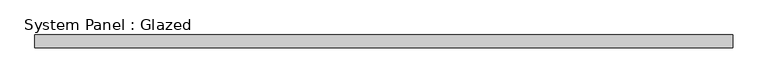
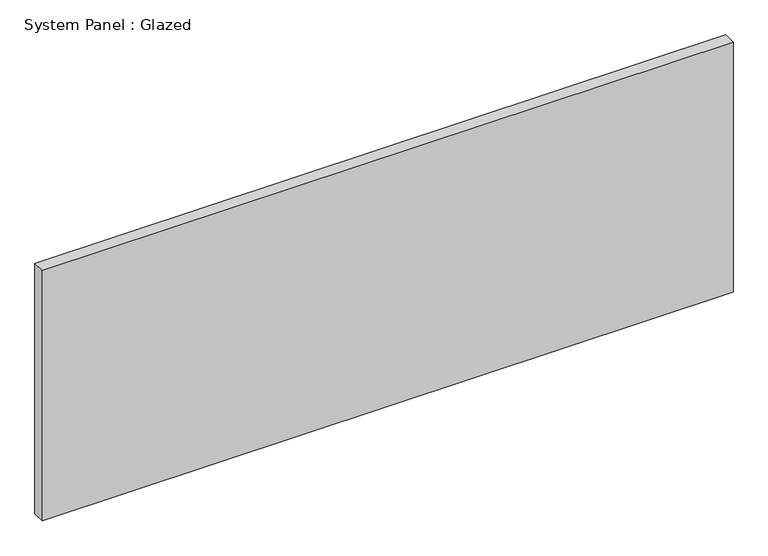
"""IFC4 building model written with IfcOpenShell, lengths in millimetres: plate geometry, System Panel : Glazed."""

import ifcopenshell
import ifcopenshell.guid

model = None  # the IFC model being written
_history = None  # IfcOwnerHistory: only IFC2X3 demands one
_inside = {}  # id of a spatial element -> (the spatial element, [elements in it])
_under = {}  # id of a project, library or spatial element -> (it, [spatial elements below it])
_declared = {}  # id of a project -> (the project, [libraries it declares])
_typed = {}  # id of a type object -> (the type object, [elements of that type])
_made_of = {}  # id of a material, layer set ... -> (it, [elements and type objects made of it])


def new_model(schema):
    """Start an empty IFC model of exactly this schema.

    Asked for "IFC4X3", IfcOpenShell would pick the latest addendum, in which some entities
    have other attributes; the version numbers below select the first issue.
    IFC2X3 requires an IfcOwnerHistory on every rooted entity: one is made here for all.
    """
    global model, _history
    if schema == "IFC4X3":
        model = ifcopenshell.file(schema_version=(4, 3, 0, 0))
    else:
        model = ifcopenshell.file(schema=schema)
    _inside.clear()
    _under.clear()
    _declared.clear()
    _typed.clear()
    _made_of.clear()
    _history = None
    if model.schema == "IFC2X3":
        org = make("IfcOrganization", Name="unknown")
        user = make(
            "IfcPersonAndOrganization",
            ThePerson=make("IfcPerson", FamilyName="unknown"),
            TheOrganization=org,
        )
        app = make(
            "IfcApplication",
            ApplicationDeveloper=org,
            Version="unknown",
            ApplicationFullName="unknown",
            ApplicationIdentifier="unknown",
        )
        _history = make(
            "IfcOwnerHistory",
            OwningUser=user,
            OwningApplication=app,
            ChangeAction="ADDED",
            CreationDate=0,
        )
    return model


def make(cls, **values):
    """One entity of the class cls with the attributes given. An attribute that is None is left unset."""
    return model.create_entity(
        cls, **{name: value for name, value in values.items() if value is not None}
    )


def rooted(cls, **values):
    """An entity with a GlobalId (a new one), such as an element, a storey or a relation."""
    return make(cls, GlobalId=ifcopenshell.guid.new(), OwnerHistory=_history, **values)


def si_unit(unit_type, name, prefix=None):
    """IfcSIUnit, for example si_unit("LENGTHUNIT", "METRE", prefix="MILLI")."""
    return make("IfcSIUnit", UnitType=unit_type, Prefix=prefix, Name=name)


def assignment(units):
    """IfcUnitAssignment: the units of a project."""
    return None if units is None else make("IfcUnitAssignment", Units=units)


def point(xyz):
    """IfcCartesianPoint."""
    return None if xyz is None else make("IfcCartesianPoint", Coordinates=xyz)


def direction(xyz):
    """IfcDirection."""
    return None if xyz is None else make("IfcDirection", DirectionRatios=xyz)


def frame(location, z_axis=None, x_axis=None):
    """IfcAxis2Placement3D, a coordinate frame: its origin and axes. An axis left out is left unset."""
    return make(
        "IfcAxis2Placement3D",
        Location=point(location),
        Axis=direction(z_axis),
        RefDirection=direction(x_axis),
    )


def origin():
    """The frame at (0, 0, 0) with its axes left unset."""
    return frame((0.0, 0.0, 0.0))


def origin_with_axes():
    """The frame at (0, 0, 0) with the z axis (0, 0, 1) and the x axis (1, 0, 0) written out."""
    return frame((0.0, 0.0, 0.0), z_axis=(0.0, 0.0, 1.0), x_axis=(1.0, 0.0, 0.0))


def place(relative_to, where):
    """IfcLocalPlacement: puts the frame where relative to a parent placement (None: the world)."""
    return make(
        "IfcLocalPlacement", PlacementRelTo=relative_to, RelativePlacement=where
    )


def context(
    kind, dimensions, precision=None, world=None, true_north=None, identifier=None
):
    """IfcGeometricRepresentationContext, for example the 3D "Model" context."""
    return make(
        "IfcGeometricRepresentationContext",
        ContextIdentifier=identifier,
        ContextType=kind,
        CoordinateSpaceDimension=dimensions,
        Precision=precision,
        WorldCoordinateSystem=world,
        TrueNorth=true_north,
    )


def project(units=None, contexts=None):
    """IfcProject with its units and contexts."""
    return rooted(
        "IfcProject",
        Name="project",
        RepresentationContexts=contexts,
        UnitsInContext=assignment(units),
    )


def spatial(cls, under=None, at=None, **own):
    """A site, building, storey or space (cls), placed at a placement, below another one or the project."""
    s = rooted(cls, ObjectPlacement=at, **own)
    if under is not None:
        _under.setdefault(under.id(), (under, []))[1].append(s)
    return s


def polyline(points):
    """IfcPolyline through the points."""
    return make("IfcPolyline", Points=[point(p) for p in points])


def outline(outer, holes=None, kind="AREA"):
    """IfcArbitraryClosedProfileDef: a profile drawn as a closed curve; with holes, ...WithVoids."""
    if holes is None:
        return make("IfcArbitraryClosedProfileDef", ProfileType=kind, OuterCurve=outer)
    return make(
        "IfcArbitraryProfileDefWithVoids",
        ProfileType=kind,
        OuterCurve=outer,
        InnerCurves=holes,
    )


def extrude(swept, where, along, depth):
    """IfcExtrudedAreaSolid: the profile swept, set in the frame where, extruded along a direction by depth."""
    return make(
        "IfcExtrudedAreaSolid",
        SweptArea=swept,
        Position=where,
        ExtrudedDirection=direction(along),
        Depth=depth,
    )


def shape(context_of_items, identifier, shape_type, items):
    """IfcShapeRepresentation: the items that make up one representation, for example the "Body"."""
    return make(
        "IfcShapeRepresentation",
        ContextOfItems=context_of_items,
        RepresentationIdentifier=identifier,
        RepresentationType=shape_type,
        Items=items,
    )


def source(mapping_origin, context_of_items, identifier, shape_type, items):
    """IfcRepresentationMap: a shape defined once, which mapped items show again and again."""
    return make(
        "IfcRepresentationMap",
        MappingOrigin=mapping_origin,
        MappedRepresentation=shape(context_of_items, identifier, shape_type, items),
    )


def transform(
    local_origin,
    x_axis=None,
    y_axis=None,
    z_axis=None,
    scale=None,
    scale2=None,
    scale3=None,
    uniform=True,
):
    """IfcCartesianTransformationOperator3D, or its non-uniform kind. x_axis, y_axis, z_axis: its Axis1, 2, 3."""
    if uniform:
        return make(
            "IfcCartesianTransformationOperator3D",
            Axis1=direction(x_axis),
            Axis2=direction(y_axis),
            LocalOrigin=point(local_origin),
            Scale=scale,
            Axis3=direction(z_axis),
        )
    return make(
        "IfcCartesianTransformationOperator3DnonUniform",
        Axis1=direction(x_axis),
        Axis2=direction(y_axis),
        LocalOrigin=point(local_origin),
        Scale=scale,
        Axis3=direction(z_axis),
        Scale2=scale2,
        Scale3=scale3,
    )


def mapped(mapping_source, mapping_target):
    """IfcMappedItem: shows the shape of a source again, moved by a transform."""
    return make(
        "IfcMappedItem", MappingSource=mapping_source, MappingTarget=mapping_target
    )


def made_of(thing, what):
    """Note that an element or type object is made of a material, layer set ...; save() writes the relation."""
    if what is not None:
        _made_of.setdefault(what.id(), (what, []))[1].append(thing)
    return thing


def element(
    cls,
    number,
    at=None,
    inside=None,
    cuts=None,
    type_object=None,
    material=None,
    context=None,
    identifier="Body",
    shape_type=None,
    held_by="IfcProductDefinitionShape",
    body=None,
    shapes=None,
    **own,
):
    """One element of the class cls, such as IfcWall. Its Tag is "e" and its number.

    at: its placement. inside: the storey or other place that contains it. cuts: it is an
    opening in that element (IfcRelVoidsElement). A single representation is given by context,
    identifier, shape_type and body (its items); several are given by shapes. held_by: the class
    of the entity that holds the representations. save() writes the other relations.
    """
    e = rooted(cls, Tag="e%d" % number, ObjectPlacement=at, **own)
    if body is not None:
        shapes = [shape(context, identifier, shape_type, body)]
    if shapes is not None:
        e.Representation = make(held_by, Representations=shapes)
    if inside is not None:
        _inside.setdefault(inside.id(), (inside, []))[1].append(e)
    if cuts is not None:
        rooted(
            "IfcRelVoidsElement", RelatingBuildingElement=cuts, RelatedOpeningElement=e
        )
    if type_object is not None:
        _typed.setdefault(type_object.id(), (type_object, []))[1].append(e)
    return made_of(e, material)


def aggregate(whole, parts):
    """IfcRelAggregates: a whole, such as a stair, and the parts it consists of."""
    return rooted("IfcRelAggregates", RelatingObject=whole, RelatedObjects=parts)


def save(model, path):
    """Write the relations noted so far, then the file.

    IfcRelAggregates (storeys below a building ...), IfcRelContainedInSpatialStructure (elements
    in a storey), IfcRelDefinesByType, IfcRelAssociatesMaterial and IfcRelDeclares: one each for
    every whole, place, type object, material and project.
    """
    for whole, parts in _under.values():
        aggregate(whole, parts)
    for where, things in _inside.values():
        rooted(
            "IfcRelContainedInSpatialStructure",
            RelatedElements=things,
            RelatingStructure=where,
        )
    for kind, things in _typed.values():
        rooted("IfcRelDefinesByType", RelatedObjects=things, RelatingType=kind)
    for what, things in _made_of.values():
        rooted("IfcRelAssociatesMaterial", RelatedObjects=things, RelatingMaterial=what)
    for by, libraries in _declared.values():
        rooted("IfcRelDeclares", RelatingContext=by, RelatedDefinitions=libraries)
    model.write(path)


def system_panel_glazed_05fb54b4(model_context):
    return source(origin(), model_context, "Body", "SweptSolid", [
        extrude(outline(polyline([(685.3124303, 24.5), (-685.3124303, 24.5), (-685.3124303, 49.5), (685.3124303, 49.5), (685.3124303, 24.5)])), origin_with_axes(), (0.0, 0.0, 1.0), 525.0),
    ])


if __name__ == "__main__":
    model = new_model("IFC4")
    model_context = context("Model", 3, world=origin())
    ifc_project = project(units=[si_unit("LENGTHUNIT", "METRE", prefix="MILLI")], contexts=[model_context])
    site = spatial("IfcSite", under=ifc_project)
    building = spatial("IfcBuilding", under=site)
    placement = place(None, origin())
    system_panel_glazed_shape = system_panel_glazed_05fb54b4(model_context)
    element("IfcPlate", 1, ObjectType="System Panel : Glazed", at=placement, inside=building, context=model_context, shape_type="MappedRepresentation", body=[
        mapped(system_panel_glazed_shape, transform((0.0, 0.0, 0.0), x_axis=(1.0, 0.0, 0.0), y_axis=(0.0, 1.0, 0.0), z_axis=(0.0, 0.0, 1.0))),
    ])
    save(model, "model.ifc")
